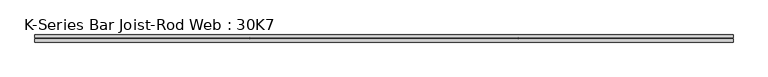
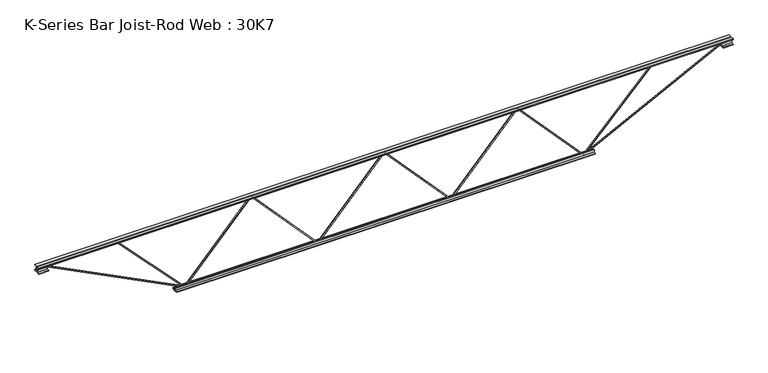
"""IFC4 building model written with IfcOpenShell, lengths in millimetres: beam geometry, K-Series Bar Joist-Rod Web : 30K7."""

from ifc_helpers import new_model, si_unit, frame, origin, place, context, project, spatial, polyline, outline, extrude, source, transform, mapped, element, save


def k_series_bar_joist_rod_web_30k7_d26a6670(model_context):
    return source(origin(), model_context, "Body", "SweptSolid", [
        extrude(outline(polyline([(-369.8875, -687.7131811), (-379.4125, -687.7131811), (-379.4125, -682.4317718), (369.8875, -1.0685907), (369.8875, 1.0685907), (-379.4125, 682.4317718), (-379.4125, 687.7131811), (-369.8875, 687.7131811), (-369.8875, 686.6445905), (379.4125, 5.2814093), (379.4125, -5.2814093), (-369.8875, -686.6445905), (-369.8875, -687.7131811)])), frame((0.0, -4.7625, 0.0), z_axis=(0.0, 1.0, 0.0), x_axis=(0.0, 0.0, 1.0)), (0.0, 0.0, 1.0), 9.525),
        extrude(outline(polyline([(-369.8875, 687.7131811), (-379.4125, 687.7131811), (-379.4125, 692.9945905), (369.8875, 1374.3577716), (369.8875, 1376.4949529), (-379.4125, 2057.8581341), (-379.4125, 2063.1395434), (-369.8875, 2063.1395434), (-369.8875, 2062.0709527), (379.4125, 1380.7077716), (379.4125, 1370.1449529), (-369.8875, 688.7817718), (-369.8875, 687.7131811)])), frame((0.0, -4.7625, 0.0), z_axis=(0.0, 1.0, 0.0), x_axis=(0.0, 0.0, 1.0)), (0.0, 0.0, 1.0), 9.525),
        extrude(outline(polyline([(-369.8875, -2063.1395434), (-379.4125, -2063.1395434), (-379.4125, -2057.8581341), (369.8875, -1376.4949529), (369.8875, -1374.3577716), (-379.4125, -692.9945905), (-379.4125, -687.7131811), (-369.8875, -687.7131811), (-369.8875, -688.7817718), (379.4125, -1370.1449529), (379.4125, -1380.7077716), (-369.8875, -2062.0709527), (-369.8875, -2063.1395434)])), frame((0.0, -4.7625, 0.0), z_axis=(0.0, 1.0, 0.0), x_axis=(0.0, 0.0, 1.0)), (0.0, 0.0, 1.0), 9.525),
        extrude(outline(polyline([(4.7625, 381.0), (36.5125, 381.0), (36.5125, 374.65), (11.1125, 374.65), (11.1125, 349.25), (4.7625, 349.25), (4.7625, 381.0)])), frame((-3587.1395434, 0.0, 0.0), z_axis=(1.0, 0.0, 0.0), x_axis=(0.0, 1.0, 0.0)), (0.0, 0.0, 1.0), 7174.2790868),
        extrude(outline(polyline([(-4.7625, 381.0), (-4.7625, 349.25), (-11.1125, 349.25), (-11.1125, 374.65), (-36.5125, 374.65), (-36.5125, 381.0), (-4.7625, 381.0)])), frame((-3587.1395434, 0.0, 0.0), z_axis=(1.0, 0.0, 0.0), x_axis=(0.0, 1.0, 0.0)), (0.0, 0.0, 1.0), 7174.2790868),
        extrude(outline(polyline([(-4.7625, 317.5), (-36.5125, 317.5), (-36.5125, 323.85), (-11.1125, 323.85), (-11.1125, 349.25), (-4.7625, 349.25), (-4.7625, 317.5)])), frame((-3587.1395434, 0.0, 0.0), z_axis=(1.0, 0.0, 0.0), x_axis=(0.0, 1.0, 0.0)), (0.0, 0.0, 1.0), 101.6),
        extrude(outline(polyline([(36.5125, 317.5), (4.7625, 317.5), (4.7625, 349.25), (11.1125, 349.25), (11.1125, 323.85), (36.5125, 323.85), (36.5125, 317.5)])), frame((-3587.1395434, 0.0, 0.0), z_axis=(1.0, 0.0, 0.0), x_axis=(0.0, 1.0, 0.0)), (0.0, 0.0, 1.0), 101.6),
        extrude(outline(polyline([(4.7625, 317.5), (4.7625, 349.25), (11.1125, 349.25), (11.1125, 323.85), (36.5125, 323.85), (36.5125, 317.5), (4.7625, 317.5)])), frame((3485.5395434, 0.0, 0.0), z_axis=(1.0, 0.0, 0.0), x_axis=(0.0, 1.0, 0.0)), (0.0, 0.0, 1.0), 101.6),
        extrude(outline(polyline([(-4.7625, 317.5), (-36.5125, 317.5), (-36.5125, 323.85), (-11.1125, 323.85), (-11.1125, 349.25), (-4.7625, 349.25), (-4.7625, 317.5)])), frame((3485.5395434, 0.0, 0.0), z_axis=(1.0, 0.0, 0.0), x_axis=(0.0, 1.0, 0.0)), (0.0, 0.0, 1.0), 101.6),
        extrude(outline(polyline([(4.7625, -381.0), (4.7625, -349.25), (11.1125, -349.25), (11.1125, -374.65), (36.5125, -374.65), (36.5125, -381.0), (4.7625, -381.0)])), frame((-2164.7395434, 0.0, 0.0), z_axis=(1.0, 0.0, 0.0), x_axis=(0.0, 1.0, 0.0)), (0.0, 0.0, 1.0), 4329.4790868),
        extrude(outline(polyline([(-4.7625, -381.0), (-36.5125, -381.0), (-36.5125, -374.65), (-11.1125, -374.65), (-11.1125, -349.25), (-4.7625, -349.25), (-4.7625, -381.0)])), frame((-2164.7395434, 0.0, 0.0), z_axis=(1.0, 0.0, 0.0), x_axis=(0.0, 1.0, 0.0)), (0.0, 0.0, 1.0), 4329.4790868),
        extrude(outline(polyline([(0.0, -9.525), (0.0, 0.0), (1596.011582, 0.0), (1596.011582, -9.525), (0.0, -9.525)])), frame((-3487.6996617, 4.7625, 345.0055571), z_axis=(0.4535681370653384, 0.0, 0.8912216026550739), x_axis=(0.8912216026550739, 0.0, -0.4535681370653384)), (0.0, 0.0, 1.0), 9.525),
        extrude(outline(polyline([(4.7625, 4.7625), (4.7625, -4.7625), (-4.7625, -4.7625), (-4.7625, 4.7625), (4.7625, 4.7625)])), frame((-2063.1395434, 0.0, -374.65), z_axis=(-0.6887537686104345, 0.0, 0.7249953422091235), x_axis=(0.0, -1.0, 0.0)), (0.0, 0.0, 1.0), 998.4891735),
        extrude(outline(polyline([(0.0, -9.525), (0.0, 0.0), (1596.011582, 0.0), (1596.011582, -9.525), (0.0, -9.525)])), frame((3487.6996617, -4.7625, 345.0055571), z_axis=(-0.4535681370653315, 0.0, 0.8912216026550774), x_axis=(-0.8912216026550774, 0.0, -0.4535681370653315)), (0.0, 0.0, 1.0), 9.525),
        extrude(outline(polyline([(4.7625, 4.7625), (4.7625, -4.7625), (-4.7625, -4.7625), (-4.7625, 4.7625), (4.7625, 4.7625)])), frame((2063.1395434, 0.0, -374.65), z_axis=(0.6887537686104375, 0.0, 0.7249953422091208), x_axis=(0.0, -1.0, 0.0)), (0.0, 0.0, 1.0), 998.4891735),
    ])


if __name__ == "__main__":
    model = new_model("IFC4")
    model_context = context("Model", 3, world=origin())
    ifc_project = project(units=[si_unit("LENGTHUNIT", "METRE", prefix="MILLI")], contexts=[model_context])
    site = spatial("IfcSite", under=ifc_project)
    building = spatial("IfcBuilding", under=site)
    placement = place(None, origin())
    k_series_bar_joist_rod_web_30k7_shape = k_series_bar_joist_rod_web_30k7_d26a6670(model_context)
    element("IfcBeam", 1, ObjectType="K-Series Bar Joist-Rod Web : 30K7", at=placement, inside=building, context=model_context, shape_type="MappedRepresentation", body=[
        mapped(k_series_bar_joist_rod_web_30k7_shape, transform((0.0, 0.0, 0.0), x_axis=(1.0, 0.0, 0.0), y_axis=(0.0, 1.0, 0.0), z_axis=(0.0, 0.0, 1.0))),
    ])
    save(model, "model.ifc")
